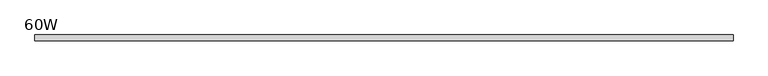
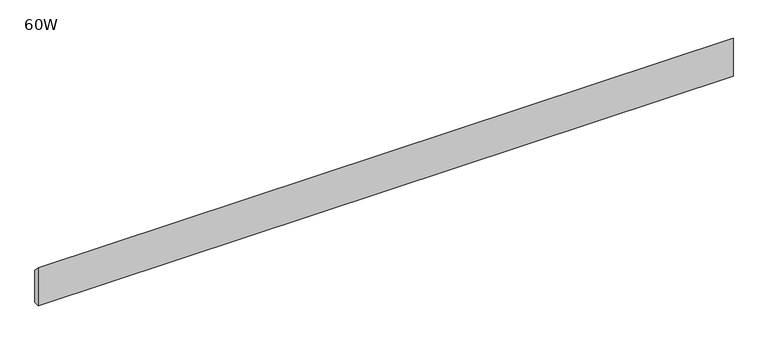
"""IFC4 building model written with IfcOpenShell, lengths in millimetres: furniture geometry, 60W."""

from ifc_helpers import new_model, si_unit, frame, origin, place, context, project, spatial, polyline, outline, extrude, source, transform, mapped, element, save


def furniture_60w_cdf9bfe3(model_context):
    return source(origin(), model_context, "Body", "SweptSolid", [
        extrude(outline(polyline([(-11.938, 677.7482), (-11.938, 760.2982), (0.0, 747.5982), (0.0, 677.7482), (-11.938, 677.7482)])), frame((48.006, 0.0, 0.0), z_axis=(1.0, 0.0, 0.0), x_axis=(0.0, 1.0, 0.0)), (0.0, 0.0, 1.0), 1427.988),
    ])


if __name__ == "__main__":
    model = new_model("IFC4")
    model_context = context("Model", 3, world=origin())
    ifc_project = project(units=[si_unit("LENGTHUNIT", "METRE", prefix="MILLI")], contexts=[model_context])
    site = spatial("IfcSite", under=ifc_project)
    building = spatial("IfcBuilding", under=site)
    placement = place(None, origin())
    furniture_60w_shape = furniture_60w_cdf9bfe3(model_context)
    element("IfcFurniture", 1, ObjectType="60W", at=placement, inside=building, context=model_context, shape_type="MappedRepresentation", body=[
        mapped(furniture_60w_shape, transform((0.0, 0.0, 0.0), x_axis=(1.0, 0.0, 0.0), y_axis=(0.0, 1.0, 0.0), z_axis=(0.0, 0.0, 1.0))),
    ])
    save(model, "model.ifc")
